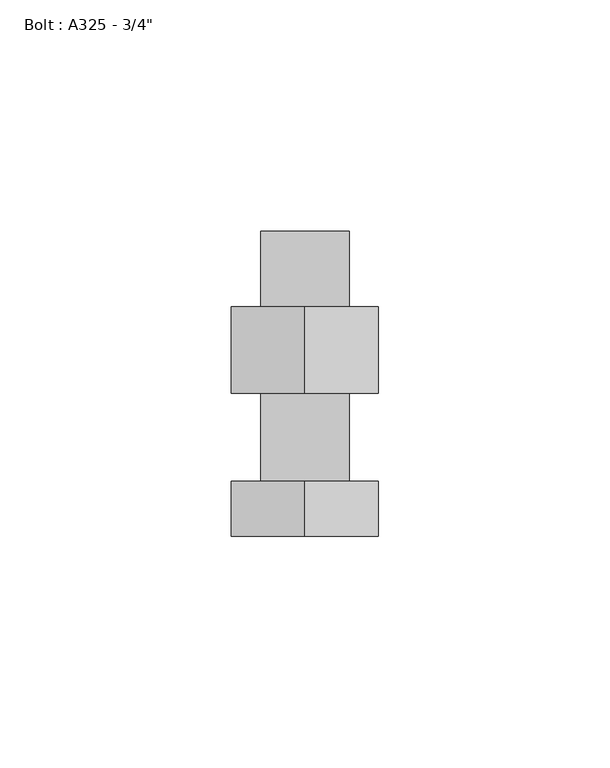
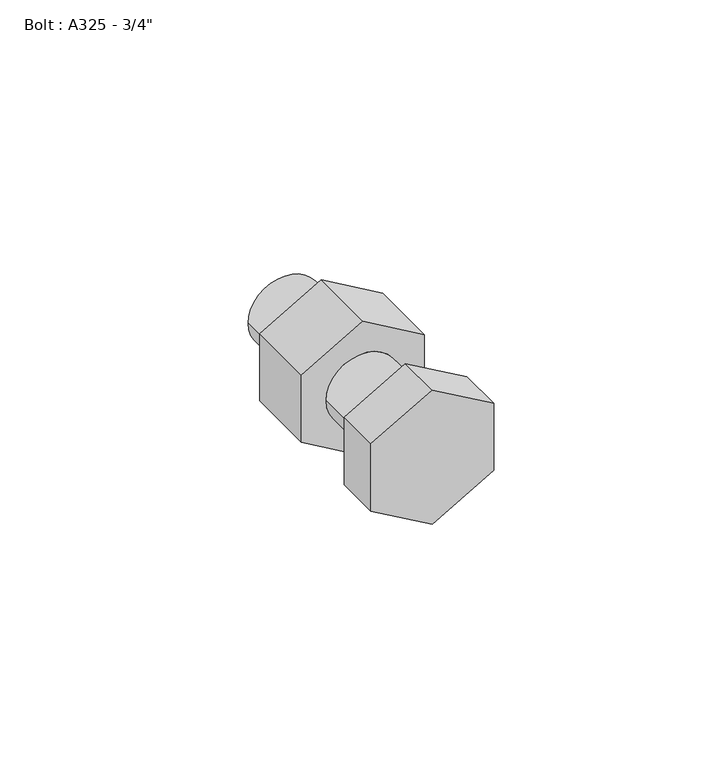
"""IFC4 building model written with IfcOpenShell, lengths in millimetres: proxy geometry."""

from ifc_helpers import new_model, si_unit, frame, origin, place, context, project, spatial, circle_curve, source, transform, mapped, element, save
from ifc_brep_helpers import plane_surface, cylinder_surface, advanced_brep


def proxy_23210cc3(model_context):
    return source(origin(), model_context, "Body", "AdvancedBrep", [
        advanced_brep(
        [(-15.875, 19.05, -9.1654355), (0.0, 19.05, -18.330871), (15.875, 19.05, -9.1654355), (15.875, 19.05, 9.1654355), (0.0, 19.05, 18.330871), (-15.875, 19.05, 9.1654355), (9.525, 19.05, 0.0), (-9.525, 19.05, 0.0), (-15.875, 37.703125, -9.1654355), (-15.875, 37.703125, 9.1654355), (0.0, 37.703125, 18.330871), (15.875, 37.703125, 9.1654355), (15.875, 37.703125, -9.1654355), (0.0, 37.703125, -18.330871), (-9.525, 37.703125, 0.0), (9.525, 37.703125, 0.0), (-9.525, 53.975, 0.0), (9.525, 53.975, 0.0), (-9.525, 0.0, 0.0), (9.525, 0.0, 0.0), (-15.875, -11.90625, -9.1654355), (0.0, -11.90625, -18.330871), (15.875, -11.90625, -9.1654355), (15.875, -11.90625, 9.1654355), (0.0, -11.90625, 18.330871), (-15.875, -11.90625, 9.1654355), (-15.875, 0.0, -9.1654355), (-15.875, 0.0, 9.1654355), (0.0, 0.0, 18.330871), (15.875, 0.0, 9.1654355), (15.875, 0.0, -9.1654355), (0.0, 0.0, -18.330871)],
        [
            (0, 1),
            (1, 2),
            (2, 3),
            (3, 4),
            (4, 5),
            (5, 0),
            (6, 7, circle_curve(frame((0.0, 19.05, 0.0), z_axis=(0.0, 1.0, 0.0), x_axis=(1.0, 0.0, 0.0)), 9.525)),
            (7, 6, circle_curve(frame((0.0, 19.05, 0.0), z_axis=(0.0, 1.0, 0.0), x_axis=(1.0, 0.0, 0.0)), 9.525)),
            (8, 9),
            (9, 10),
            (10, 11),
            (11, 12),
            (12, 13),
            (13, 8),
            (14, 15, circle_curve(frame((0.0, 37.703125, 0.0), z_axis=(0.0, -1.0, 0.0), x_axis=(1.0, 0.0, 0.0)), 9.525)),
            (15, 14, circle_curve(frame((0.0, 37.703125, 0.0), z_axis=(0.0, -1.0, 0.0), x_axis=(1.0, 0.0, 0.0)), 9.525)),
            (0, 8),
            (13, 1),
            (12, 2),
            (11, 3),
            (10, 4),
            (9, 5),
            (16, 17, circle_curve(frame((0.0, 53.975, 0.0), z_axis=(0.0, 1.0, 0.0), x_axis=(1.0, 0.0, 0.0)), 9.525)),
            (17, 16, circle_curve(frame((0.0, 53.975, 0.0), z_axis=(0.0, 1.0, 0.0), x_axis=(1.0, 0.0, 0.0)), 9.525)),
            (17, 15),
            (14, 16),
            (18, 7),
            (6, 19),
            (19, 18, circle_curve(frame((0.0, 0.0, 0.0), z_axis=(0.0, 1.0, 0.0), x_axis=(1.0, 0.0, 0.0)), 9.525)),
            (18, 19, circle_curve(frame((0.0, 0.0, 0.0), z_axis=(0.0, 1.0, 0.0), x_axis=(1.0, 0.0, 0.0)), 9.525)),
            (20, 21),
            (21, 22),
            (22, 23),
            (23, 24),
            (24, 25),
            (25, 20),
            (26, 27),
            (27, 28),
            (28, 29),
            (29, 30),
            (30, 31),
            (31, 26),
            (20, 26),
            (31, 21),
            (30, 22),
            (29, 23),
            (28, 24),
            (27, 25),
        ],
        [
            plane_surface(frame((-15.875, 19.05, -9.1654355), z_axis=(0.0, -1.0000000000000002, 0.0), x_axis=(0.8660254037844521, 0.0, -0.4999999999999768))),
            plane_surface(frame((-15.875, 37.703125, -9.1654355), z_axis=(0.0, 1.0000000000000002, 0.0), x_axis=(-0.8660254037844521, 0.0, 0.4999999999999768))),
            plane_surface(frame((-15.875, 19.05, -9.1654355), z_axis=(-0.4999999999999768, 0.0, -0.8660254037844521), x_axis=(0.0, 1.0, 0.0))),
            plane_surface(frame((0.0, 19.05, -18.330871), z_axis=(0.500000000000023, 0.0, -0.8660254037844254), x_axis=(0.0, 1.0, 0.0))),
            plane_surface(frame((15.875, 19.05, -9.1654355), z_axis=(1.0, 0.0, 0.0), x_axis=(0.0, 1.0, 0.0))),
            plane_surface(frame((15.875, 19.05, 9.1654355), z_axis=(0.49999999999997674, 0.0, 0.866025403784452), x_axis=(0.0, 1.0, 0.0))),
            plane_surface(frame((0.0, 19.05, 18.330871), z_axis=(-0.5000000000000232, 0.0, 0.8660254037844254), x_axis=(0.0, 1.0, 0.0))),
            plane_surface(frame((-15.875, 19.05, 9.1654355), z_axis=(-1.0, 0.0, 0.0), x_axis=(0.0, 1.0, 0.0))),
            plane_surface(frame((9.525, 53.975, 0.0), z_axis=(0.0, 1.0, 0.0), x_axis=(0.0, 0.0, -1.0))),
            cylinder_surface(frame((0.0, 53.975, 0.0), z_axis=(0.0, -1.0, 0.0), x_axis=(1.0, 0.0, 0.0)), 9.525),
            plane_surface(frame((-15.875, -11.90625, -9.1654355), z_axis=(0.0, -1.0, 0.0), x_axis=(0.8660254037845122, 0.0, -0.49999999999987266))),
            plane_surface(frame((-15.875, 0.0, -9.1654355), z_axis=(0.0, 1.0, 0.0), x_axis=(-0.8660254037845122, 0.0, 0.49999999999987266))),
            plane_surface(frame((-15.875, -11.90625, -9.1654355), z_axis=(-0.49999999999987266, 0.0, -0.8660254037845122), x_axis=(0.0, 1.0, 0.0))),
            plane_surface(frame((0.0, -11.90625, -18.330871), z_axis=(0.5000000000001275, 0.0, -0.8660254037843651), x_axis=(0.0, 1.0, 0.0))),
            plane_surface(frame((15.875, -11.90625, -9.1654355), z_axis=(1.0, 0.0, 0.0), x_axis=(0.0, 1.0, 0.0))),
            plane_surface(frame((15.875, -11.90625, 9.1654355), z_axis=(0.4999999999998725, 0.0, 0.8660254037845123), x_axis=(0.0, 1.0, 0.0))),
            plane_surface(frame((0.0, -11.90625, 18.330871), z_axis=(-0.5000000000001278, 0.0, 0.866025403784365), x_axis=(0.0, 1.0, 0.0))),
            plane_surface(frame((-15.875, -11.90625, 9.1654355), z_axis=(-1.0, 0.0, 0.0), x_axis=(0.0, 1.0, 0.0))),
        ],
        [
            (0, [[1, 2, 3, 4, 5, 6], [7, 8]]),
            (1, [[9, 10, 11, 12, 13, 14], [15, 16]]),
            (2, [[-1, 17, -14, 18]]),
            (3, [[-2, -18, -13, 19]]),
            (4, [[-3, -19, -12, 20]]),
            (5, [[-4, -20, -11, 21]]),
            (6, [[-5, -21, -10, 22]]),
            (7, [[-6, -22, -9, -17]]),
            (8, [[23, 24]]),
            (9, [[-24, 25, -15, 26]]),
            (9, [[27, -7, 28, 29]]),
            (9, [[-23, -26, -16, -25]]),
            (9, [[-27, 30, -28, -8]]),
            (10, [[31, 32, 33, 34, 35, 36]]),
            (11, [[37, 38, 39, 40, 41, 42], [-29, -30]]),
            (12, [[-31, 43, -42, 44]]),
            (13, [[-32, -44, -41, 45]]),
            (14, [[-33, -45, -40, 46]]),
            (15, [[-34, -46, -39, 47]]),
            (16, [[-35, -47, -38, 48]]),
            (17, [[-36, -48, -37, -43]]),
        ],
    ),
    ])


if __name__ == "__main__":
    model = new_model("IFC4")
    model_context = context("Model", 3, world=origin())
    ifc_project = project(units=[si_unit("LENGTHUNIT", "METRE", prefix="MILLI")], contexts=[model_context])
    site = spatial("IfcSite", under=ifc_project)
    building = spatial("IfcBuilding", under=site)
    placement = place(None, origin())
    proxy_shape = proxy_23210cc3(model_context)
    element("IfcBuildingElementProxy", 1, Name="Bolt : A325 - 3/4\"", ObjectType="Bolt : A325 - 3/4\"", at=placement, inside=building, context=model_context, shape_type="MappedRepresentation", body=[
        mapped(proxy_shape, transform((0.0, 0.0, 0.0), x_axis=(1.0, 0.0, 0.0), y_axis=(0.0, 1.0, 0.0), z_axis=(0.0, 0.0, 1.0))),
    ])
    save(model, "model.ifc")
